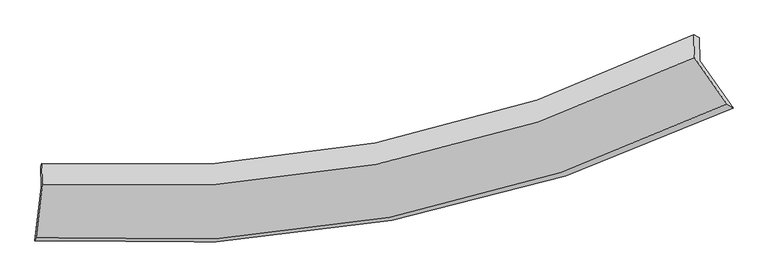
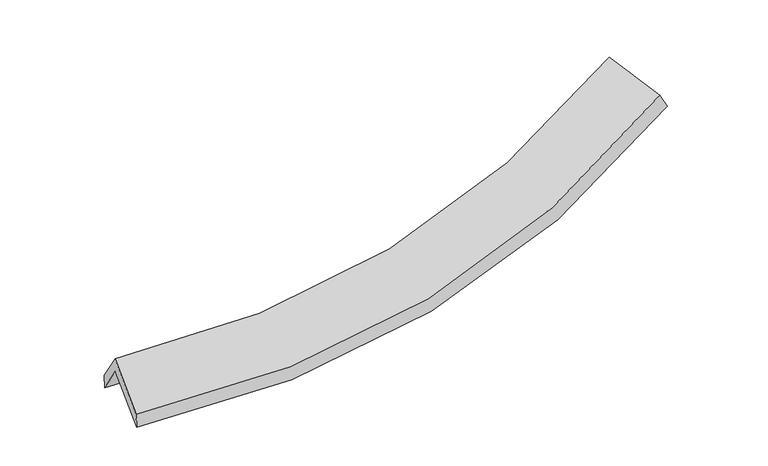
"""IFC4 building model written with IfcOpenShell, lengths in millimetres: proxy geometry."""

from ifc_helpers import new_model, si_unit, frame, origin, place, context, project, spatial, source, transform, mapped, element, save
from ifc_brep_helpers import plane_surface, spline_curve, spline_surface, advanced_brep


def generic_models_db04a564(model_context):
    return source(origin(), model_context, "Body", "AdvancedBrep", [
        advanced_brep(
        [(-3479.0382283, -2068.7561226, 1864.7775012), (-3484.6921839, -1851.4687733, 1526.30849), (3338.2201272, -519.3405948, 2214.9406315), (3344.3314037, -754.203259, 2580.7867518), (-3473.4734976, -1821.2547568, 1666.1236355), (3282.5288376, -488.391742, 2346.6284419), (-3467.7408578, -2041.5660217, 2009.3030071), (3288.6629684, -724.1327209, 2713.842715), (-3531.5186885, -2595.3871097, 1654.8312085), (3626.5334471, -1206.319042, 2398.6490378), (-3542.95196, -2623.7573199, 1509.5503766), (3690.1820415, -1247.7783335, 2258.1485185)],
        [
            (0, 1),
            (1, 2, spline_curve(3, [(-3484.6921839, -1851.4687733, 1526.30849), (-2282.35627877, -1938.631401925, 1451.725980315), (-1118.407662206, -1874.094313945, 1470.164106605), (1157.613557898, -1436.837325241, 1695.547211961), (2267.969045151, -1057.331687204, 1906.653133188), (3338.2201272, -519.3405948, 2214.9406315)], [4, 2, 4], [0.0, 11.477525131739757, 23.208944833175394])),
            (2, 3),
            (3, 0, spline_curve(3, [(3344.3314037, -754.203259, 2580.7867518), (2273.860445517, -1283.744285265, 2259.33656578), (1163.357274584, -1657.574281247, 2039.389683243), (-1112.81329508, -2089.091621304, 1805.065914434), (-2276.766667706, -2153.445913461, 1786.343046469), (-3479.0382283, -2068.7561226, 1864.7775012)], [4, 2, 4], [0.0, 11.731419701435637, 23.208944833175394])),
            (1, 4),
            (4, 5, spline_curve(3, [(-3473.4734976, -1821.2547568, 1666.1236355), (-2284.776609578, -1898.562229012, 1604.408997595), (-1133.176608772, -1828.9837535, 1628.688903011), (1120.483564688, -1391.26649334, 1851.677183738), (2220.884342389, -1016.557297207, 2054.232213969), (3282.5288376, -488.391742, 2346.6284419)], [4, 2, 4], [0.0, 11.418732871980005, 23.090059768867548])),
            (5, 2),
            (4, 6),
            (6, 7, spline_curve(3, [(-3467.7408578, -2041.5660217, 2009.3030071), (-2279.093692673, -2116.962596817, 1944.61176031), (-1127.486095415, -2047.676051819, 1969.346406574), (1126.305344321, -1615.003494012, 2200.192831855), (2226.832356025, -1245.14560549, 2410.304755273), (3288.6629684, -724.1327209, 2713.842715)], [4, 2, 4], [0.0, 11.359596800062421, 22.97047947476822])),
            (7, 5),
            (6, 8),
            (8, 9, spline_curve(3, [(-3531.5186885, -2595.3871097, 1654.8312085), (-2269.535388356, -2680.508756472, 1582.671702432), (-1048.116201702, -2610.298271256, 1606.833324093), (1339.715665903, -2154.223802652, 1850.464023275), (2504.313857328, -1761.41159892, 2074.241678251), (3626.5334471, -1206.319042, 2398.6490378)], [4, 2, 4], [0.0, 11.697956575050572, 23.654683888291927])),
            (9, 7),
            (8, 10),
            (10, 11, spline_curve(3, [(-3542.95196, -2623.7573199, 1509.5503766), (-2270.46033068, -2708.571721374, 1429.862934198), (-1037.608822929, -2639.272955134, 1450.609103003), (1375.209001547, -2187.506988085, 1695.649283001), (2553.402161241, -1798.146091727, 1924.435828093), (3690.1820415, -1247.7783335, 2258.1485185)], [4, 2, 4], [0.0, 12.094418536192405, 24.456377953778897])),
            (11, 9),
            (10, 0),
            (3, 11),
        ],
        [
            spline_surface(3, 3, [[(-3479.0382283, -2068.7561226, 1864.7775012), (-2276.76666782, -2153.445913549, 1786.343046443), (-1112.813294963, -2089.091621393, 1805.065914343), (1163.357274464, -1657.574281157, 2039.389683335), (2273.860445634, -1283.744285432, 2259.336565677), (3344.3314037, -754.203259, 2580.7867518)], [(-3480.92288016, -1996.327006165, 1751.954497471), (-2278.629871409, -2081.841076338, 1674.804024387), (-1114.678084041, -2017.425852196, 1693.43197839), (1161.442702283, -1583.995295914, 1924.775526281), (2271.896645507, -1208.273419409, 2141.775421516), (3342.294311534, -675.915704266, 2458.83804506)], [(-3482.80753204, -1923.897889735, 1639.131493729), (-2280.493075016, -2010.236239134, 1563.265002317), (-1116.542873135, -1945.760082979, 1581.798042394), (1159.528130086, -1510.416310651, 1810.161369183), (2269.932845378, -1132.802553387, 2024.214277275), (3340.257219366, -597.628149534, 2336.88933824)], [(-3484.6921839, -1851.4687733, 1526.30849), (-2282.356278605, -1938.631401923, 1451.72598026), (-1118.407662212, -1874.094313782, 1470.164106441), (1157.613557905, -1436.837325408, 1695.547212129), (2267.969045251, -1057.331687364, 1906.653133113), (3338.2201272, -519.3405948, 2214.9406315)]], [4, 4], [4, 2, 4], [0.0, 1.3236345437293286], [0.0, 11.477525131739757, 23.208944833175394]),
            spline_surface(3, 3, [[(-3484.6921839, -1851.4687733, 1526.30849), (-2282.356278605, -1938.631401923, 1451.72598026), (-1118.407662212, -1874.094313782, 1470.164106441), (1157.613557905, -1436.837325408, 1695.547212129), (2267.969045251, -1057.331687364, 1906.653133113), (3338.2201272, -519.3405948, 2214.9406315)], [(-3480.952621812, -1841.397434481, 1572.913538476), (-2283.163055589, -1925.275010986, 1502.620319338), (-1123.330644378, -1859.057460384, 1523.005705266), (1145.2368935, -1421.647048014, 1747.590536), (2252.274144271, -1043.740223948, 1955.846160009), (3319.656364021, -509.02431053, 2258.836568292)], [(-3477.213059688, -1831.326095619, 1619.518587024), (-2283.969832539, -1911.918620005, 1553.514658488), (-1128.253626577, -1844.020606997, 1575.847304137), (1132.860229063, -1406.456770634, 1799.633859917), (2236.57924323, -1030.148760543, 2005.039186928), (3301.092600779, -498.70802627, 2302.732505108)], [(-3473.4734976, -1821.2547568, 1666.1236355), (-2284.776609524, -1898.562229068, 1604.408997565), (-1133.176608743, -1828.983753599, 1628.688902962), (1120.483564659, -1391.26649324, 1851.677183788), (2220.884342251, -1016.557297128, 2054.232213824), (3282.5288376, -488.391742, 2346.6284419)]], [4, 4], [4, 2, 4], [0.0, 0.5439176656621724], [0.0, 11.418732871980005, 23.090059768867548]),
            spline_surface(3, 3, [[(-3473.4734976, -1821.2547568, 1666.1236355), (-2284.776609524, -1898.562229068, 1604.408997565), (-1133.176608743, -1828.983753599, 1628.688902962), (1120.483564659, -1391.26649324, 1851.677183788), (2220.884342251, -1016.557297128, 2054.232213824), (3282.5288376, -488.391742, 2346.6284419)], [(-3471.562617668, -1894.691845106, 1780.516759364), (-2282.882303846, -1971.362351681, 1717.809918483), (-1131.279770993, -1901.881186356, 1742.241404119), (1122.424157869, -1465.845493489, 1967.849066552), (2222.867013501, -1092.753399897, 2172.923060957), (3284.573547869, -566.972068297, 2469.033199588)], [(-3469.651737732, -1968.128933394, 1894.909883236), (-2280.987998164, -2044.162474277, 1831.210839409), (-1129.382933188, -1974.7786191, 1855.793905237), (1124.364751134, -1540.424493725, 2084.020949277), (2224.849684744, -1168.949502673, 2291.613908124), (3286.618258131, -645.552394603, 2591.437957312)], [(-3467.7408578, -2041.5660217, 2009.3030071), (-2279.093692486, -2116.96259689, 1944.611760327), (-1127.486095437, -2047.676051857, 1969.346406393), (1126.305344344, -1615.003493974, 2200.19283204), (2226.832355994, -1245.145605442, 2410.304755257), (3288.6629684, -724.1327209, 2713.842715)]], [4, 4], [4, 2, 4], [0.0, 1.3439189900262645], [0.0, 11.359596800062421, 22.97047947476822]),
            spline_surface(3, 3, [[(-3467.7408578, -2041.5660217, 2009.3030071), (-2279.093692486, -2116.96259689, 1944.611760327), (-1127.486095437, -2047.676051857, 1969.346406393), (1126.305344344, -1615.003493974, 2200.19283204), (2226.832355994, -1245.145605442, 2410.304755257), (3288.6629684, -724.1327209, 2713.842715)], [(-3489.000134713, -2226.173051008, 1891.145740902), (-2275.90759118, -2304.811316782, 1823.965074392), (-1101.02946415, -2235.216791618, 1848.508712259), (1197.44211815, -1794.743596869, 2083.616562493), (2319.326189754, -1417.23426993, 2298.283729619), (3401.286461291, -884.861494594, 2608.778155929)], [(-3510.259411587, -2410.780080392, 1772.988474698), (-2272.721489834, -2492.660036749, 1703.31838845), (-1074.572832857, -2422.757531434, 1727.671018115), (1268.578891961, -1974.483699819, 1967.040292937), (2411.820023541, -1589.322934436, 2186.262703994), (3513.909954209, -1045.590268306, 2503.713596871)], [(-3531.5186885, -2595.3871097, 1654.8312085), (-2269.535388528, -2680.508756641, 1582.671702516), (-1048.116201569, -2610.298271195, 1606.833323981), (1339.715665767, -2154.223802714, 1850.46402339), (2504.3138573, -1761.411598924, 2074.241678355), (3626.5334471, -1206.319042, 2398.6490378)]], [4, 4], [4, 2, 4], [0.0, 2.205275551945705], [0.0, 11.697956575050572, 23.654683888291927]),
            spline_surface(3, 3, [[(-3531.5186885, -2595.3871097, 1654.8312085), (-2269.535388528, -2680.508756641, 1582.671702516), (-1048.116201569, -2610.298271195, 1606.833323981), (1339.715665767, -2154.223802714, 1850.46402339), (2504.3138573, -1761.411598924, 2074.241678355), (3626.5334471, -1206.319042, 2398.6490378)], [(-3535.329778978, -2604.843846432, 1606.404264546), (-2269.8437025, -2689.863078227, 1531.735446463), (-1044.61374204, -2619.956499228, 1554.758583665), (1351.5467777, -2165.318197797, 1798.859109899), (2520.676625266, -1773.656429935, 2024.306394974), (3647.749645225, -1220.138805858, 2351.815531386)], [(-3539.140869522, -2614.300583168, 1557.977320554), (-2270.152016538, -2699.217399818, 1480.799190372), (-1041.111282493, -2629.614727241, 1502.683843375), (1363.37788965, -2176.412592859, 1747.254196434), (2537.039393256, -1785.901260873, 1974.371111534), (3668.965843375, -1233.958569642, 2304.982024914)], [(-3542.95196, -2623.7573199, 1509.5503766), (-2270.460330511, -2708.571721405, 1429.862934319), (-1037.608822964, -2639.272955274, 1450.609103059), (1375.209001583, -2187.506987942, 1695.649282943), (2553.402161221, -1798.146091884, 1924.435828152), (3690.1820415, -1247.7783335, 2258.1485185)]], [4, 4], [4, 2, 4], [0.0, 0.5259044041304726], [0.0, 12.094418536192405, 24.456377953778897]),
            spline_surface(3, 3, [[(-3542.95196, -2623.7573199, 1509.5503766), (-2270.460330511, -2708.571721405, 1429.862934319), (-1037.608822964, -2639.272955274, 1450.609103059), (1375.209001583, -2187.506987942, 1695.649282943), (2553.402161221, -1798.146091884, 1924.435828152), (3690.1820415, -1247.7783335, 2258.1485185)], [(-3521.647382769, -2438.756920808, 1627.959418141), (-2272.562442949, -2523.529785461, 1548.689638368), (-1062.676980288, -2455.879177318, 1568.761373482), (1304.59175922, -2010.862752352, 1810.229416401), (2460.221589352, -1626.678823055, 2036.069407305), (3574.89849556, -1083.253308655, 2365.694596245)], [(-3500.342805531, -2253.756521692, 1746.368459659), (-2274.664555382, -2338.487849492, 1667.516342394), (-1087.745137639, -2272.485399348, 1686.913643921), (1233.974516828, -1834.218516747, 1924.809549877), (2367.041017503, -1455.211554261, 2147.702986524), (3459.61494964, -918.728283845, 2473.240674055)], [(-3479.0382283, -2068.7561226, 1864.7775012), (-2276.76666782, -2153.445913549, 1786.343046443), (-1112.813294963, -2089.091621393, 1805.065914343), (1163.357274464, -1657.574281157, 2039.389683335), (2273.860445634, -1283.744285432, 2259.336565677), (3344.3314037, -754.203259, 2580.7867518)]], [4, 4], [4, 2, 4], [0.0, 2.1619690534297598], [0.0, 11.81488937246351, 23.89113615593635]),
            plane_surface(frame((3428.4098043, -823.3609487, 2418.8326827), z_axis=(0.8624675980179596, 0.4323297475925475, 0.2631361467295889), x_axis=(0.398501607790003, -0.25957516441179057, -0.8796688027941963))),
            plane_surface(frame((-3496.569236, -2167.031684, 1705.1490365), z_axis=(-0.9952298048607603, 0.07369070033931913, 0.0639321218192697), x_axis=(-0.09654051846531773, -0.8383191203849182, -0.5365640508751074))),
        ],
        [
            (0, [[1, 2, 3, 4]]),
            (1, [[5, 6, 7, -2]]),
            (2, [[8, 9, 10, -6]]),
            (3, [[11, 12, 13, -9]]),
            (4, [[14, 15, 16, -12]]),
            (5, [[17, -4, 18, -15]]),
            (6, [[-16, -18, -3, -7, -10, -13]]),
            (7, [[-17, -14, -11, -8, -5, -1]]),
        ],
    ),
    ])


if __name__ == "__main__":
    model = new_model("IFC4")
    model_context = context("Model", 3, world=origin())
    ifc_project = project(units=[si_unit("LENGTHUNIT", "METRE", prefix="MILLI")], contexts=[model_context])
    site = spatial("IfcSite", under=ifc_project)
    building = spatial("IfcBuilding", under=site)
    placement = place(None, origin())
    generic_models_shape = generic_models_db04a564(model_context)
    element("IfcBuildingElementProxy", 1, Name="Generic Models", at=placement, inside=building, context=model_context, shape_type="MappedRepresentation", body=[
        mapped(generic_models_shape, transform((0.0, 0.0, 0.0), x_axis=(1.0, 0.0, 0.0), y_axis=(0.0, 1.0, 0.0), z_axis=(0.0, 0.0, 1.0))),
    ])
    save(model, "model.ifc")
